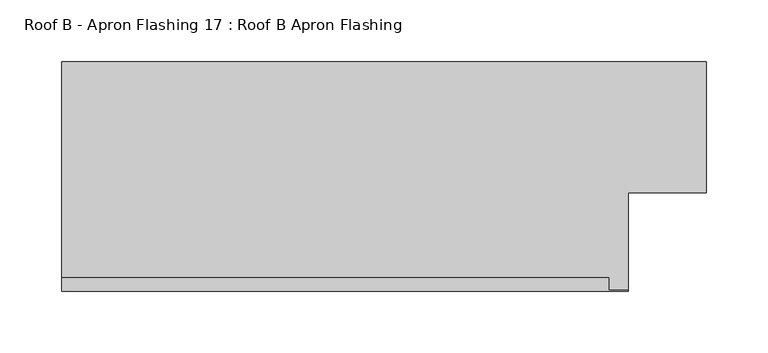
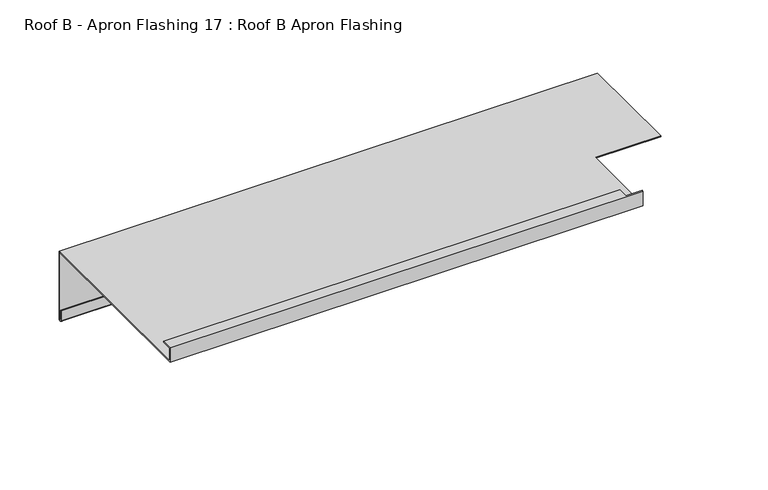
"""IFC4 building model written with IfcOpenShell, lengths in millimetres: proxy geometry, Roof B - Apron Flashing 17 : Roof B Apron Flashing."""

from ifc_helpers import new_model, si_unit, frame, origin, place, context, project, spatial, polyline, circle_curve, source, transform, mapped, element, save
from ifc_brep_helpers import plane_surface, cylinder_surface, revolved_surface, advanced_brep


def roof_b_apron_flashing_17_roof_b_apron_flashing_dad91b55(model_context):
    return source(origin(), model_context, "Body", "AdvancedBrep", [
        advanced_brep(
        [(17490.7910961, 5655.8026399, -986.662203), (17490.7910961, 5655.8026399, -1055.0764166), (17490.7910961, 5654.8026399, -1055.0764166), (17490.7910961, 5654.8026399, -1045.1233066), (17490.7910961, 5653.8026399, -1045.1233066), (17490.7910961, 5653.8026399, -1055.0764166), (17490.7910961, 5656.8026399, -1055.0764166), (17490.7910961, 5656.8026399, -985.662203), (17490.7910961, 5550.3594915, -985.662203), (17490.7910961, 5550.3594915, -986.662203), (16967.4791786, 5656.8026399, -985.662203), (16967.4791786, 5656.8026399, -1055.0764166), (16967.4791786, 5653.8026399, -1055.0764166), (16967.4791786, 5653.8026399, -1045.1233066), (16967.4791786, 5654.8026399, -1045.1233066), (16967.4791786, 5654.8026399, -1055.0764166), (16967.4791786, 5655.8026399, -1055.0764166), (16967.4791786, 5655.8026399, -986.662203), (16967.4791786, 5470.3615096, -986.662203), (16967.4791786, 5470.3615096, -971.662203), (16967.4791786, 5481.3998223, -971.662203), (16967.4791786, 5481.3998223, -972.662203), (16967.4791786, 5471.3615096, -972.662203), (16967.4791786, 5471.3615096, -985.662203), (17427.4791786, 5471.3615096, -985.662203), (17427.4791786, 5550.3594915, -985.662203), (17427.4791786, 5550.3594915, -986.662203), (17427.4791786, 5470.3615096, -986.662203), (17411.3516031, 5471.3615096, -972.662203), (17411.3516031, 5471.3615096, -971.662203), (17427.4791786, 5471.3615096, -971.662203), (17411.3516031, 5481.3998223, -972.662203), (17411.3516031, 5481.3998223, -971.662203), (17427.4791786, 5470.3615096, -971.662203)],
        [
            (0, 1),
            (1, 2, circle_curve(frame((17490.7910961, 5655.3026399, -1055.0764166), z_axis=(-1.0, 0.0, 0.0), x_axis=(0.0, 0.0, 1.0)), 0.5)),
            (2, 3),
            (3, 4),
            (4, 5),
            (5, 6, circle_curve(frame((17490.7910961, 5655.3026399, -1055.0764166), z_axis=(1.0, 0.0, 0.0), x_axis=(0.0, 0.0, 1.0)), 1.5)),
            (6, 7),
            (7, 8),
            (8, 9),
            (9, 0),
            (10, 11),
            (11, 12, circle_curve(frame((16967.4791786, 5655.3026399, -1055.0764166), z_axis=(-1.0, 0.0, 0.0), x_axis=(0.0, 0.0, 1.0)), 1.5)),
            (12, 13),
            (13, 14),
            (14, 15),
            (15, 16, circle_curve(frame((16967.4791786, 5655.3026399, -1055.0764166), z_axis=(1.0, 0.0, 0.0), x_axis=(0.0, 0.0, 1.0)), 0.5)),
            (16, 17),
            (17, 18),
            (18, 19),
            (19, 20),
            (20, 21),
            (21, 22),
            (22, 23),
            (23, 10),
            (23, 24),
            (24, 25),
            (25, 8),
            (7, 10),
            (17, 0),
            (9, 26),
            (26, 27),
            (27, 18),
            (16, 1),
            (6, 11),
            (22, 28),
            (28, 29),
            (29, 30),
            (30, 24),
            (21, 31),
            (31, 28),
            (20, 32),
            (32, 31),
            (19, 33),
            (33, 30),
            (29, 32),
            (27, 33),
            (15, 2),
            (14, 3),
            (13, 4),
            (12, 5),
            (26, 25),
        ],
        [
            plane_surface(frame((17490.7910961, 5462.3294164, -1042.7388515), z_axis=(1.0, 0.0, 0.0), x_axis=(0.0, 1.0, 0.0))),
            plane_surface(frame((16967.4791786, 5462.3294164, -1042.7388515), z_axis=(-1.0, 0.0, 0.0), x_axis=(0.0, 1.0, 0.0))),
            plane_surface(frame((17490.7910961, 5656.8026399, -985.662203), z_axis=(0.0, 0.0, 1.0), x_axis=(-1.0, 0.0, 0.0))),
            plane_surface(frame((17490.7910961, 5470.3615096, -986.662203), z_axis=(0.0, 0.0, -1.0), x_axis=(-1.0, 0.0, 0.0))),
            plane_surface(frame((17490.7910961, 5655.8026399, -986.662203), z_axis=(0.0, -1.0, 0.0), x_axis=(-1.0, 0.0, 0.0))),
            plane_surface(frame((17490.7910961, 5656.8026399, -1055.0764166), z_axis=(0.0, 1.0, 0.0), x_axis=(-1.0, 0.0, 0.0))),
            plane_surface(frame((17490.7910961, 5471.3615096, -985.662203), z_axis=(0.0, 1.0, 0.0), x_axis=(-1.0, 0.0, 0.0))),
            plane_surface(frame((17490.7910961, 5471.3615096, -972.662203), z_axis=(0.0, 0.0, -1.0), x_axis=(-1.0, 0.0, 0.0))),
            plane_surface(frame((17490.7910961, 5481.3998223, -972.662203), z_axis=(0.0, 1.0, 0.0), x_axis=(-1.0, 0.0, 0.0))),
            plane_surface(frame((17490.7910961, 5481.3998223, -971.662203), z_axis=(0.0, 0.0, 1.0), x_axis=(-1.0, 0.0, 0.0))),
            plane_surface(frame((17490.7910961, 5470.3615096, -971.662203), z_axis=(0.0, -1.0, 0.0), x_axis=(-1.0, 0.0, 0.0))),
            revolved_surface(polyline([(16967.4791786, 5655.3026399, -1054.5764166), (17490.7910961, 5655.3026399, -1054.5764166)]), (17490.7910961, 5655.3026399, -1055.0764166), (-1.0, 0.0, 0.0)),
            plane_surface(frame((17490.7910961, 5654.8026399, -1055.0764166), z_axis=(0.0, 1.0, 0.0), x_axis=(-1.0, 0.0, 0.0))),
            plane_surface(frame((17490.7910961, 5654.8026399, -1045.1233066), z_axis=(0.0, 0.0, 1.0), x_axis=(-1.0, 0.0, 0.0))),
            plane_surface(frame((17490.7910961, 5653.8026399, -1045.1233066), z_axis=(0.0, -1.0, 0.0), x_axis=(-1.0, 0.0, 0.0))),
            cylinder_surface(frame((17490.7910961, 5655.3026399, -1055.0764166), z_axis=(1.0, 0.0, 0.0), x_axis=(0.0, 0.0, 1.0)), 1.5),
            plane_surface(frame((17427.4791786, 5550.3594915, -1079.9089722), z_axis=(1.0, 0.0, 0.0), x_axis=(0.0, -0.9659258262890683, 0.25881904510252074))),
            plane_surface(frame((17427.4791786, 5550.3594915, -852.4830665), z_axis=(0.0, -1.0, 0.0), x_axis=(1.0, 0.0, 0.0))),
            plane_surface(frame((17411.3516031, 5471.3615603, -884.3834078), z_axis=(1.0, 0.0, 0.0), x_axis=(0.0, 0.0, -1.0))),
        ],
        [
            (0, [[1, 2, 3, 4, 5, 6, 7, 8, 9, 10]]),
            (1, [[11, 12, 13, 14, 15, 16, 17, 18, 19, 20, 21, 22, 23, 24]]),
            (2, [[-24, 25, 26, 27, -8, 28]]),
            (3, [[-18, 29, -10, 30, 31, 32]]),
            (4, [[-1, -29, -17, 33]]),
            (5, [[-7, 34, -11, -28]]),
            (6, [[-23, 35, 36, 37, 38, -25]]),
            (7, [[-22, 39, 40, -35]]),
            (8, [[-21, 41, 42, -39]]),
            (9, [[-20, 43, 44, -37, 45, -41]]),
            (10, [[-19, -32, 46, -43]]),
            (11, [[-2, -33, -16, 47]]),
            (12, [[-3, -47, -15, 48]]),
            (13, [[-4, -48, -14, 49]]),
            (14, [[-5, -49, -13, 50]]),
            (15, [[-6, -50, -12, -34]]),
            (16, [[51, -26, -38, -44, -46, -31]]),
            (17, [[-51, -30, -9, -27]]),
            (18, [[-36, -40, -42, -45]]),
        ],
    ),
    ])


if __name__ == "__main__":
    model = new_model("IFC4")
    model_context = context("Model", 3, world=origin())
    ifc_project = project(units=[si_unit("LENGTHUNIT", "METRE", prefix="MILLI")], contexts=[model_context])
    site = spatial("IfcSite", under=ifc_project)
    building = spatial("IfcBuilding", under=site)
    placement = place(None, origin())
    roof_b_apron_flashing_17_roof_b_apron_flashing_shape = roof_b_apron_flashing_17_roof_b_apron_flashing_dad91b55(model_context)
    element("IfcBuildingElementProxy", 1, Name="Roof B - Apron Flashing 17 : Roof B Apron Flashing", ObjectType="Roof B - Apron Flashing 17 : Roof B Apron Flashing", at=placement, inside=building, context=model_context, shape_type="MappedRepresentation", body=[
        mapped(roof_b_apron_flashing_17_roof_b_apron_flashing_shape, transform((0.0, 0.0, 0.0), x_axis=(1.0, 0.0, 0.0), y_axis=(0.0, 1.0, 0.0), z_axis=(0.0, 0.0, 1.0))),
    ])
    save(model, "model.ifc")
